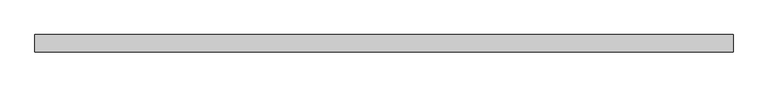
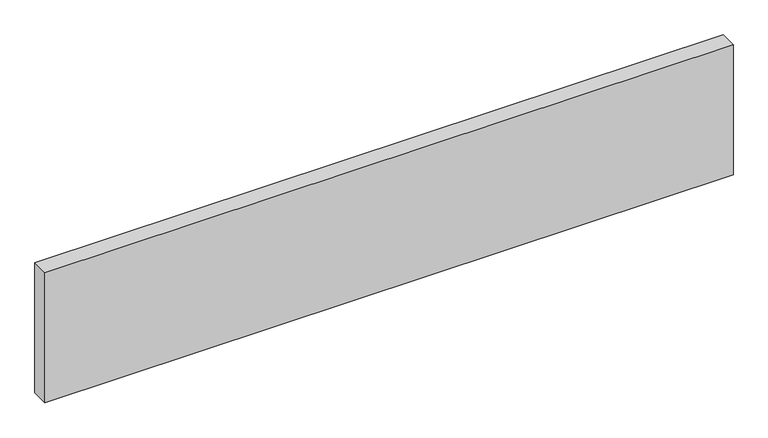
"""IFC4 building model written with IfcOpenShell, lengths in millimetres: plate geometry."""

from ifc_helpers import new_model, si_unit, origin, origin_with_axes, place, context, project, spatial, polyline, outline, extrude, source, transform, mapped, element, save


def plate_b39d5c48(model_context):
    return source(origin(), model_context, "Body", "SweptSolid", [
        extrude(outline(polyline([(1500.0, 37.5), (1500.0, -37.5), (-1500.0, -37.5), (-1500.0, 37.5), (1500.0, 37.5)])), origin_with_axes(), (0.0, 0.0, 1.0), 599.05),
    ])


if __name__ == "__main__":
    model = new_model("IFC4")
    model_context = context("Model", 3, world=origin())
    ifc_project = project(units=[si_unit("LENGTHUNIT", "METRE", prefix="MILLI")], contexts=[model_context])
    site = spatial("IfcSite", under=ifc_project)
    building = spatial("IfcBuilding", under=site)
    placement = place(None, origin())
    plate_shape = plate_b39d5c48(model_context)
    element("IfcPlate", 1, at=placement, inside=building, context=model_context, shape_type="MappedRepresentation", body=[
        mapped(plate_shape, transform((0.0, 0.0, 0.0), x_axis=(1.0, 0.0, 0.0), y_axis=(0.0, 1.0, 0.0), z_axis=(0.0, 0.0, 1.0))),
    ])
    save(model, "model.ifc")
